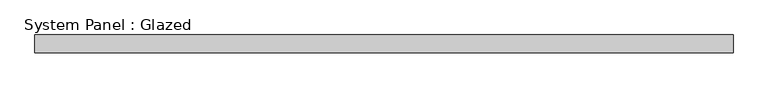
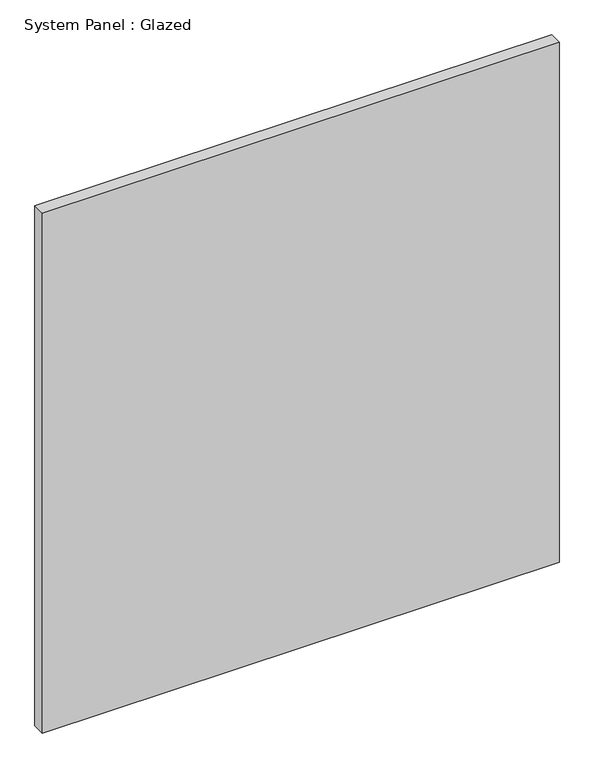
"""IFC4 building model written with IfcOpenShell, lengths in millimetres: plate geometry, System Panel : Glazed."""

from ifc_helpers import new_model, si_unit, origin, origin_with_axes, place, context, project, spatial, polyline, outline, extrude, source, transform, mapped, element, save


def system_panel_glazed_68cef702(model_context):
    return source(origin(), model_context, "Body", "SweptSolid", [
        extrude(outline(polyline([(501.65, -12.7), (-501.65, -12.7), (-501.65, 12.7), (501.65, 12.7), (501.65, -12.7)])), origin_with_axes(), (0.0, 0.0, 1.0), 1066.8),
    ])


if __name__ == "__main__":
    model = new_model("IFC4")
    model_context = context("Model", 3, world=origin())
    ifc_project = project(units=[si_unit("LENGTHUNIT", "METRE", prefix="MILLI")], contexts=[model_context])
    site = spatial("IfcSite", under=ifc_project)
    building = spatial("IfcBuilding", under=site)
    placement = place(None, origin())
    system_panel_glazed_shape = system_panel_glazed_68cef702(model_context)
    element("IfcPlate", 1, ObjectType="System Panel : Glazed", at=placement, inside=building, context=model_context, shape_type="MappedRepresentation", body=[
        mapped(system_panel_glazed_shape, transform((0.0, 0.0, 0.0), x_axis=(1.0, 0.0, 0.0), y_axis=(0.0, 1.0, 0.0), z_axis=(0.0, 0.0, 1.0))),
    ])
    save(model, "model.ifc")
